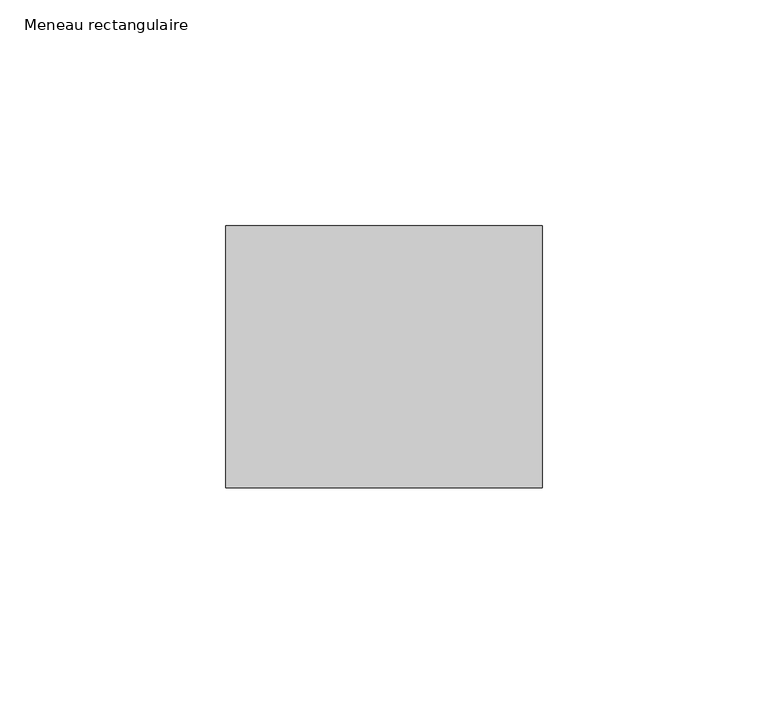
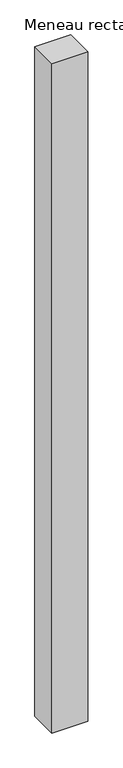
"""IFC4 building model written with IfcOpenShell, lengths in millimetres: member geometry, Meneau rectangulaire."""

from ifc_helpers import new_model, si_unit, frame, origin, place, context, project, spatial, polyline, outline, extrude, source, transform, mapped, element, save


def meneau_rectangulaire_5e8fd9ef(model_context):
    return source(origin(), model_context, "Body", "SweptSolid", [
        extrude(outline(polyline([(0.0, 29.0), (0.0, -29.0), (-70.0, -29.0), (-70.0, 29.0), (0.0, 29.0)])), frame((0.0, 0.0, -1389.6666669), z_axis=(0.0, 0.0, 1.0), x_axis=(1.0, 0.0, 0.0)), (0.0, 0.0, 1.0), 1389.6666669),
    ])


if __name__ == "__main__":
    model = new_model("IFC4")
    model_context = context("Model", 3, world=origin())
    ifc_project = project(units=[si_unit("LENGTHUNIT", "METRE", prefix="MILLI")], contexts=[model_context])
    site = spatial("IfcSite", under=ifc_project)
    building = spatial("IfcBuilding", under=site)
    placement = place(None, origin())
    meneau_rectangulaire_shape = meneau_rectangulaire_5e8fd9ef(model_context)
    element("IfcMember", 1, ObjectType="Meneau rectangulaire", at=placement, inside=building, context=model_context, shape_type="MappedRepresentation", body=[
        mapped(meneau_rectangulaire_shape, transform((0.0, 0.0, 0.0), x_axis=(1.0, 0.0, 0.0), y_axis=(0.0, 1.0, 0.0), z_axis=(0.0, 0.0, 1.0))),
    ])
    save(model, "model.ifc")
